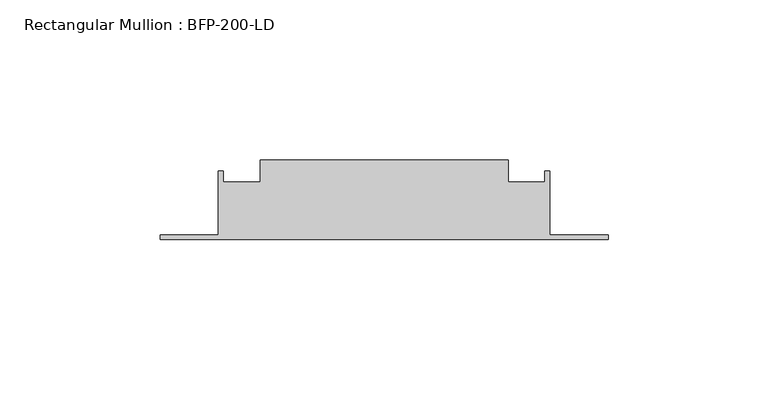
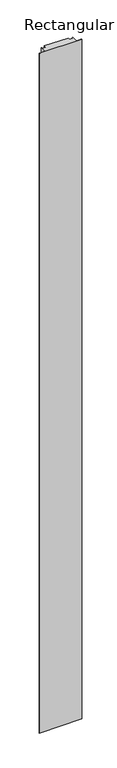
"""IFC4 building model written with IfcOpenShell, lengths in millimetres: member geometry, Rectangular Mullion : BFP-200-LD."""

from ifc_helpers import new_model, si_unit, frame, origin, place, context, project, spatial, polyline, outline, extrude, source, transform, mapped, element, save


def rectangular_mullion_bfp_200_ld_4428a173(model_context):
    return source(origin(), model_context, "Body", "SweptSolid", [
        extrude(outline(polyline([(-38.75, 45.0), (38.75, 45.0), (38.75, 38.0), (50.25, 38.0), (50.25, 41.5), (51.75, 41.5), (51.75, 21.5), (70.0, 21.5), (70.0, 20.0), (-70.0, 20.0), (-70.0, 21.5), (-51.75, 21.5), (-51.75, 41.5), (-50.25, 41.5), (-50.25, 38.0), (-38.75, 38.0), (-38.75, 45.0)])), frame((0.0, 0.0, -2360.0), z_axis=(0.0, 0.0, 1.0), x_axis=(1.0, 0.0, 0.0)), (0.0, 0.0, 1.0), 2360.0),
    ])


if __name__ == "__main__":
    model = new_model("IFC4")
    model_context = context("Model", 3, world=origin())
    ifc_project = project(units=[si_unit("LENGTHUNIT", "METRE", prefix="MILLI")], contexts=[model_context])
    site = spatial("IfcSite", under=ifc_project)
    building = spatial("IfcBuilding", under=site)
    placement = place(None, origin())
    rectangular_mullion_bfp_200_ld_shape = rectangular_mullion_bfp_200_ld_4428a173(model_context)
    element("IfcMember", 1, ObjectType="Rectangular Mullion : BFP-200-LD", at=placement, inside=building, context=model_context, shape_type="MappedRepresentation", body=[
        mapped(rectangular_mullion_bfp_200_ld_shape, transform((0.0, 0.0, 0.0), x_axis=(1.0, 0.0, 0.0), y_axis=(0.0, 1.0, 0.0), z_axis=(0.0, 0.0, 1.0))),
    ])
    save(model, "model.ifc")
